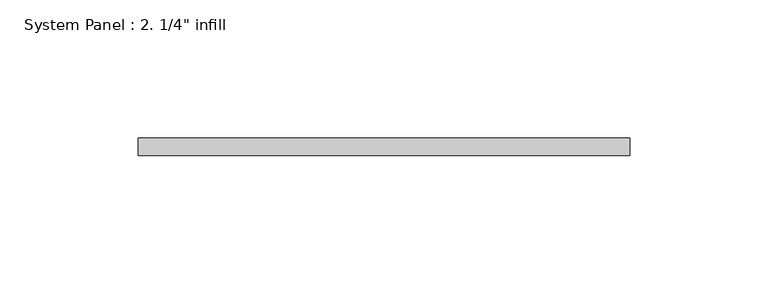
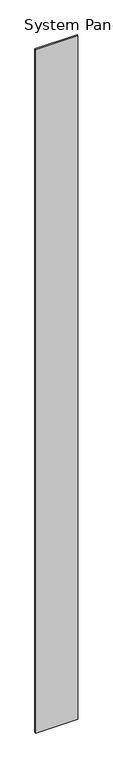
"""IFC4 building model written with IfcOpenShell, lengths in millimetres: plate geometry."""

from ifc_helpers import new_model, si_unit, origin, origin_with_axes, place, context, project, spatial, polyline, outline, extrude, source, transform, mapped, element, save


def plate_0cd69fc1(model_context):
    return source(origin(), model_context, "Body", "SweptSolid", [
        extrude(outline(polyline([(88.9, -6.35), (-88.9, -6.35), (-88.9, 0.0), (88.9, 0.0), (88.9, -6.35)])), origin_with_axes(), (0.0, 0.0, 1.0), 3048.0),
    ])


if __name__ == "__main__":
    model = new_model("IFC4")
    model_context = context("Model", 3, world=origin())
    ifc_project = project(units=[si_unit("LENGTHUNIT", "METRE", prefix="MILLI")], contexts=[model_context])
    site = spatial("IfcSite", under=ifc_project)
    building = spatial("IfcBuilding", under=site)
    placement = place(None, origin())
    plate_shape = plate_0cd69fc1(model_context)
    element("IfcPlate", 1, ObjectType="System Panel : 2. 1/4\" infill", at=placement, inside=building, context=model_context, shape_type="MappedRepresentation", body=[
        mapped(plate_shape, transform((0.0, 0.0, 0.0), x_axis=(1.0, 0.0, 0.0), y_axis=(0.0, 1.0, 0.0), z_axis=(0.0, 0.0, 1.0))),
    ])
    save(model, "model.ifc")
